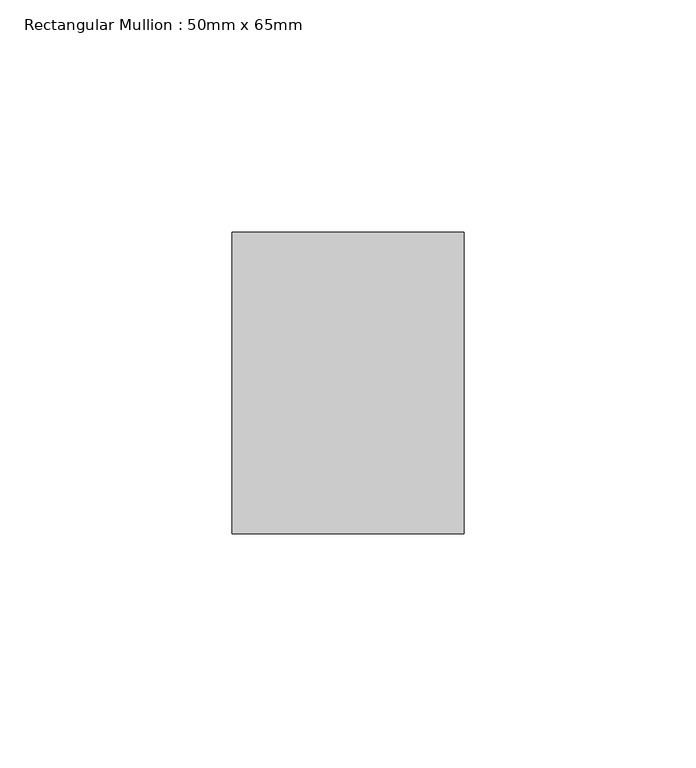
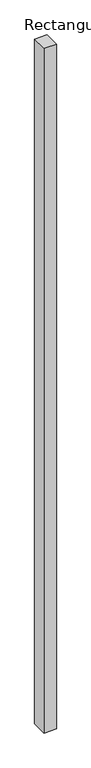
"""IFC4 building model written with IfcOpenShell, lengths in millimetres: member geometry, Rectangular Mullion : 50mm x 65mm."""

import ifcopenshell
import ifcopenshell.guid

model = None  # the IFC model being written
_history = None  # IfcOwnerHistory: only IFC2X3 demands one
_inside = {}  # id of a spatial element -> (the spatial element, [elements in it])
_under = {}  # id of a project, library or spatial element -> (it, [spatial elements below it])
_declared = {}  # id of a project -> (the project, [libraries it declares])
_typed = {}  # id of a type object -> (the type object, [elements of that type])
_made_of = {}  # id of a material, layer set ... -> (it, [elements and type objects made of it])


def new_model(schema):
    """Start an empty IFC model of exactly this schema.

    Asked for "IFC4X3", IfcOpenShell would pick the latest addendum, in which some entities
    have other attributes; the version numbers below select the first issue.
    IFC2X3 requires an IfcOwnerHistory on every rooted entity: one is made here for all.
    """
    global model, _history
    if schema == "IFC4X3":
        model = ifcopenshell.file(schema_version=(4, 3, 0, 0))
    else:
        model = ifcopenshell.file(schema=schema)
    _inside.clear()
    _under.clear()
    _declared.clear()
    _typed.clear()
    _made_of.clear()
    _history = None
    if model.schema == "IFC2X3":
        org = make("IfcOrganization", Name="unknown")
        user = make(
            "IfcPersonAndOrganization",
            ThePerson=make("IfcPerson", FamilyName="unknown"),
            TheOrganization=org,
        )
        app = make(
            "IfcApplication",
            ApplicationDeveloper=org,
            Version="unknown",
            ApplicationFullName="unknown",
            ApplicationIdentifier="unknown",
        )
        _history = make(
            "IfcOwnerHistory",
            OwningUser=user,
            OwningApplication=app,
            ChangeAction="ADDED",
            CreationDate=0,
        )
    return model


def make(cls, **values):
    """One entity of the class cls with the attributes given. An attribute that is None is left unset."""
    return model.create_entity(
        cls, **{name: value for name, value in values.items() if value is not None}
    )


def rooted(cls, **values):
    """An entity with a GlobalId (a new one), such as an element, a storey or a relation."""
    return make(cls, GlobalId=ifcopenshell.guid.new(), OwnerHistory=_history, **values)


def si_unit(unit_type, name, prefix=None):
    """IfcSIUnit, for example si_unit("LENGTHUNIT", "METRE", prefix="MILLI")."""
    return make("IfcSIUnit", UnitType=unit_type, Prefix=prefix, Name=name)


def assignment(units):
    """IfcUnitAssignment: the units of a project."""
    return None if units is None else make("IfcUnitAssignment", Units=units)


def point(xyz):
    """IfcCartesianPoint."""
    return None if xyz is None else make("IfcCartesianPoint", Coordinates=xyz)


def direction(xyz):
    """IfcDirection."""
    return None if xyz is None else make("IfcDirection", DirectionRatios=xyz)


def frame(location, z_axis=None, x_axis=None):
    """IfcAxis2Placement3D, a coordinate frame: its origin and axes. An axis left out is left unset."""
    return make(
        "IfcAxis2Placement3D",
        Location=point(location),
        Axis=direction(z_axis),
        RefDirection=direction(x_axis),
    )


def origin():
    """The frame at (0, 0, 0) with its axes left unset."""
    return frame((0.0, 0.0, 0.0))


def place(relative_to, where):
    """IfcLocalPlacement: puts the frame where relative to a parent placement (None: the world)."""
    return make(
        "IfcLocalPlacement", PlacementRelTo=relative_to, RelativePlacement=where
    )


def context(
    kind, dimensions, precision=None, world=None, true_north=None, identifier=None
):
    """IfcGeometricRepresentationContext, for example the 3D "Model" context."""
    return make(
        "IfcGeometricRepresentationContext",
        ContextIdentifier=identifier,
        ContextType=kind,
        CoordinateSpaceDimension=dimensions,
        Precision=precision,
        WorldCoordinateSystem=world,
        TrueNorth=true_north,
    )


def project(units=None, contexts=None):
    """IfcProject with its units and contexts."""
    return rooted(
        "IfcProject",
        Name="project",
        RepresentationContexts=contexts,
        UnitsInContext=assignment(units),
    )


def spatial(cls, under=None, at=None, **own):
    """A site, building, storey or space (cls), placed at a placement, below another one or the project."""
    s = rooted(cls, ObjectPlacement=at, **own)
    if under is not None:
        _under.setdefault(under.id(), (under, []))[1].append(s)
    return s


def polyline(points):
    """IfcPolyline through the points."""
    return make("IfcPolyline", Points=[point(p) for p in points])


def outline(outer, holes=None, kind="AREA"):
    """IfcArbitraryClosedProfileDef: a profile drawn as a closed curve; with holes, ...WithVoids."""
    if holes is None:
        return make("IfcArbitraryClosedProfileDef", ProfileType=kind, OuterCurve=outer)
    return make(
        "IfcArbitraryProfileDefWithVoids",
        ProfileType=kind,
        OuterCurve=outer,
        InnerCurves=holes,
    )


def extrude(swept, where, along, depth):
    """IfcExtrudedAreaSolid: the profile swept, set in the frame where, extruded along a direction by depth."""
    return make(
        "IfcExtrudedAreaSolid",
        SweptArea=swept,
        Position=where,
        ExtrudedDirection=direction(along),
        Depth=depth,
    )


def shape(context_of_items, identifier, shape_type, items):
    """IfcShapeRepresentation: the items that make up one representation, for example the "Body"."""
    return make(
        "IfcShapeRepresentation",
        ContextOfItems=context_of_items,
        RepresentationIdentifier=identifier,
        RepresentationType=shape_type,
        Items=items,
    )


def source(mapping_origin, context_of_items, identifier, shape_type, items):
    """IfcRepresentationMap: a shape defined once, which mapped items show again and again."""
    return make(
        "IfcRepresentationMap",
        MappingOrigin=mapping_origin,
        MappedRepresentation=shape(context_of_items, identifier, shape_type, items),
    )


def transform(
    local_origin,
    x_axis=None,
    y_axis=None,
    z_axis=None,
    scale=None,
    scale2=None,
    scale3=None,
    uniform=True,
):
    """IfcCartesianTransformationOperator3D, or its non-uniform kind. x_axis, y_axis, z_axis: its Axis1, 2, 3."""
    if uniform:
        return make(
            "IfcCartesianTransformationOperator3D",
            Axis1=direction(x_axis),
            Axis2=direction(y_axis),
            LocalOrigin=point(local_origin),
            Scale=scale,
            Axis3=direction(z_axis),
        )
    return make(
        "IfcCartesianTransformationOperator3DnonUniform",
        Axis1=direction(x_axis),
        Axis2=direction(y_axis),
        LocalOrigin=point(local_origin),
        Scale=scale,
        Axis3=direction(z_axis),
        Scale2=scale2,
        Scale3=scale3,
    )


def mapped(mapping_source, mapping_target):
    """IfcMappedItem: shows the shape of a source again, moved by a transform."""
    return make(
        "IfcMappedItem", MappingSource=mapping_source, MappingTarget=mapping_target
    )


def made_of(thing, what):
    """Note that an element or type object is made of a material, layer set ...; save() writes the relation."""
    if what is not None:
        _made_of.setdefault(what.id(), (what, []))[1].append(thing)
    return thing


def element(
    cls,
    number,
    at=None,
    inside=None,
    cuts=None,
    type_object=None,
    material=None,
    context=None,
    identifier="Body",
    shape_type=None,
    held_by="IfcProductDefinitionShape",
    body=None,
    shapes=None,
    **own,
):
    """One element of the class cls, such as IfcWall. Its Tag is "e" and its number.

    at: its placement. inside: the storey or other place that contains it. cuts: it is an
    opening in that element (IfcRelVoidsElement). A single representation is given by context,
    identifier, shape_type and body (its items); several are given by shapes. held_by: the class
    of the entity that holds the representations. save() writes the other relations.
    """
    e = rooted(cls, Tag="e%d" % number, ObjectPlacement=at, **own)
    if body is not None:
        shapes = [shape(context, identifier, shape_type, body)]
    if shapes is not None:
        e.Representation = make(held_by, Representations=shapes)
    if inside is not None:
        _inside.setdefault(inside.id(), (inside, []))[1].append(e)
    if cuts is not None:
        rooted(
            "IfcRelVoidsElement", RelatingBuildingElement=cuts, RelatedOpeningElement=e
        )
    if type_object is not None:
        _typed.setdefault(type_object.id(), (type_object, []))[1].append(e)
    return made_of(e, material)


def aggregate(whole, parts):
    """IfcRelAggregates: a whole, such as a stair, and the parts it consists of."""
    return rooted("IfcRelAggregates", RelatingObject=whole, RelatedObjects=parts)


def save(model, path):
    """Write the relations noted so far, then the file.

    IfcRelAggregates (storeys below a building ...), IfcRelContainedInSpatialStructure (elements
    in a storey), IfcRelDefinesByType, IfcRelAssociatesMaterial and IfcRelDeclares: one each for
    every whole, place, type object, material and project.
    """
    for whole, parts in _under.values():
        aggregate(whole, parts)
    for where, things in _inside.values():
        rooted(
            "IfcRelContainedInSpatialStructure",
            RelatedElements=things,
            RelatingStructure=where,
        )
    for kind, things in _typed.values():
        rooted("IfcRelDefinesByType", RelatedObjects=things, RelatingType=kind)
    for what, things in _made_of.values():
        rooted("IfcRelAssociatesMaterial", RelatedObjects=things, RelatingMaterial=what)
    for by, libraries in _declared.values():
        rooted("IfcRelDeclares", RelatingContext=by, RelatedDefinitions=libraries)
    model.write(path)


def rectangular_mullion_50mm_x_65mm_24e55751(model_context):
    return source(origin(), model_context, "Body", "SweptSolid", [
        extrude(outline(polyline([(25.0, 32.5), (25.0, -32.5), (-25.0, -32.5), (-25.0, 32.5), (25.0, 32.5)])), frame((0.0, 0.0, -2924.9805513), z_axis=(0.0, 0.0, 1.0), x_axis=(1.0, 0.0, 0.0)), (0.0, 0.0, 1.0), 2924.9805513),
    ])


if __name__ == "__main__":
    model = new_model("IFC4")
    model_context = context("Model", 3, world=origin())
    ifc_project = project(units=[si_unit("LENGTHUNIT", "METRE", prefix="MILLI")], contexts=[model_context])
    site = spatial("IfcSite", under=ifc_project)
    building = spatial("IfcBuilding", under=site)
    placement = place(None, origin())
    rectangular_mullion_50mm_x_65mm_shape = rectangular_mullion_50mm_x_65mm_24e55751(model_context)
    element("IfcMember", 1, ObjectType="Rectangular Mullion : 50mm x 65mm", at=placement, inside=building, context=model_context, shape_type="MappedRepresentation", body=[
        mapped(rectangular_mullion_50mm_x_65mm_shape, transform((0.0, 0.0, 0.0), x_axis=(1.0, 0.0, 0.0), y_axis=(0.0, 1.0, 0.0), z_axis=(0.0, 0.0, 1.0))),
    ])
    save(model, "model.ifc")
